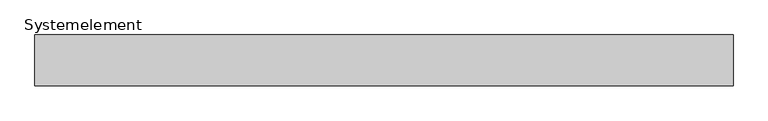
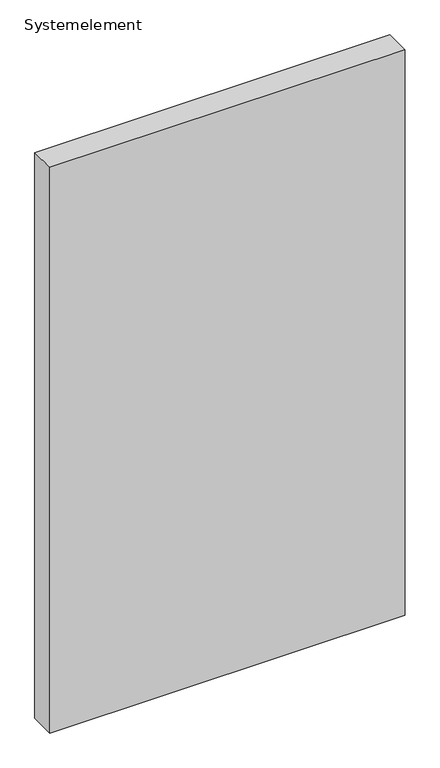
"""IFC4 building model written with IfcOpenShell, lengths in millimetres: plate geometry, Systemelement."""

from ifc_helpers import new_model, si_unit, origin, origin_with_axes, place, context, project, spatial, polyline, outline, extrude, source, transform, mapped, element, save


def systemelement_d297f335(model_context):
    return source(origin(), model_context, "Body", "SweptSolid", [
        extrude(outline(polyline([(550.0, -80.0), (-550.0, -80.0), (-550.0, 0.0), (550.0, 0.0), (550.0, -80.0)])), origin_with_axes(), (0.0, 0.0, 1.0), 1851.6147161),
    ])


if __name__ == "__main__":
    model = new_model("IFC4")
    model_context = context("Model", 3, world=origin())
    ifc_project = project(units=[si_unit("LENGTHUNIT", "METRE", prefix="MILLI")], contexts=[model_context])
    site = spatial("IfcSite", under=ifc_project)
    building = spatial("IfcBuilding", under=site)
    placement = place(None, origin())
    systemelement_shape = systemelement_d297f335(model_context)
    element("IfcPlate", 1, ObjectType="Systemelement", at=placement, inside=building, context=model_context, shape_type="MappedRepresentation", body=[
        mapped(systemelement_shape, transform((0.0, 0.0, 0.0), x_axis=(1.0, 0.0, 0.0), y_axis=(0.0, 1.0, 0.0), z_axis=(0.0, 0.0, 1.0))),
    ])
    save(model, "model.ifc")
